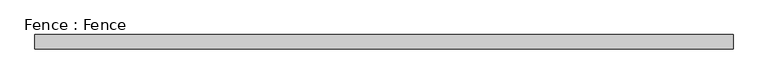
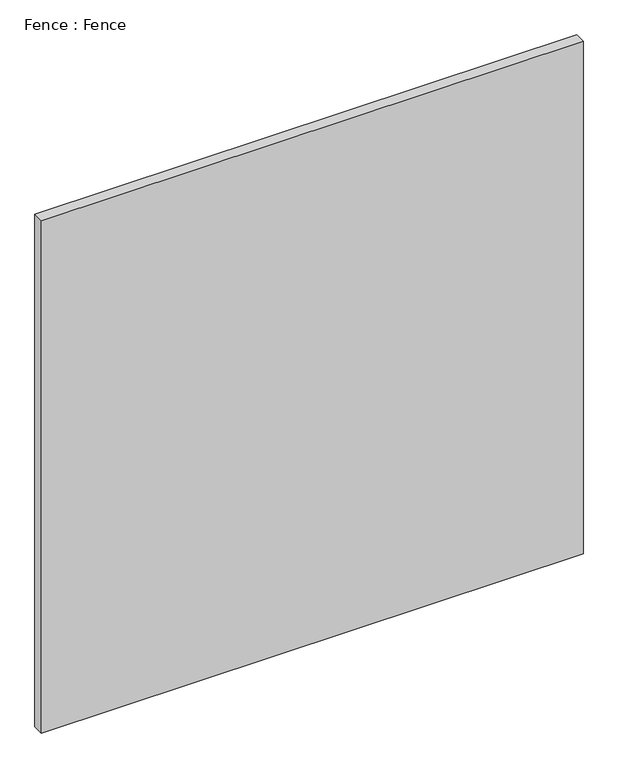
"""IFC4 building model written with IfcOpenShell, lengths in millimetres: furniture geometry, Fence : Fence."""

from ifc_helpers import new_model, si_unit, origin, origin_with_axes, place, context, project, spatial, polyline, outline, extrude, source, transform, mapped, element, save


def fence_fence_31714da0(model_context):
    return source(origin(), model_context, "Body", "SweptSolid", [
        extrude(outline(polyline([(609.6, 12.7), (609.6, -12.7), (-609.6, -12.7), (-609.6, 12.7), (609.6, 12.7)])), origin_with_axes(), (0.0, 0.0, 1.0), 1219.2),
    ])


if __name__ == "__main__":
    model = new_model("IFC4")
    model_context = context("Model", 3, world=origin())
    ifc_project = project(units=[si_unit("LENGTHUNIT", "METRE", prefix="MILLI")], contexts=[model_context])
    site = spatial("IfcSite", under=ifc_project)
    building = spatial("IfcBuilding", under=site)
    placement = place(None, origin())
    fence_fence_shape = fence_fence_31714da0(model_context)
    element("IfcFurniture", 1, ObjectType="Fence : Fence", at=placement, inside=building, context=model_context, shape_type="MappedRepresentation", body=[
        mapped(fence_fence_shape, transform((0.0, 0.0, 0.0), x_axis=(1.0, 0.0, 0.0), y_axis=(0.0, 1.0, 0.0), z_axis=(0.0, 0.0, 1.0))),
    ])
    save(model, "model.ifc")
